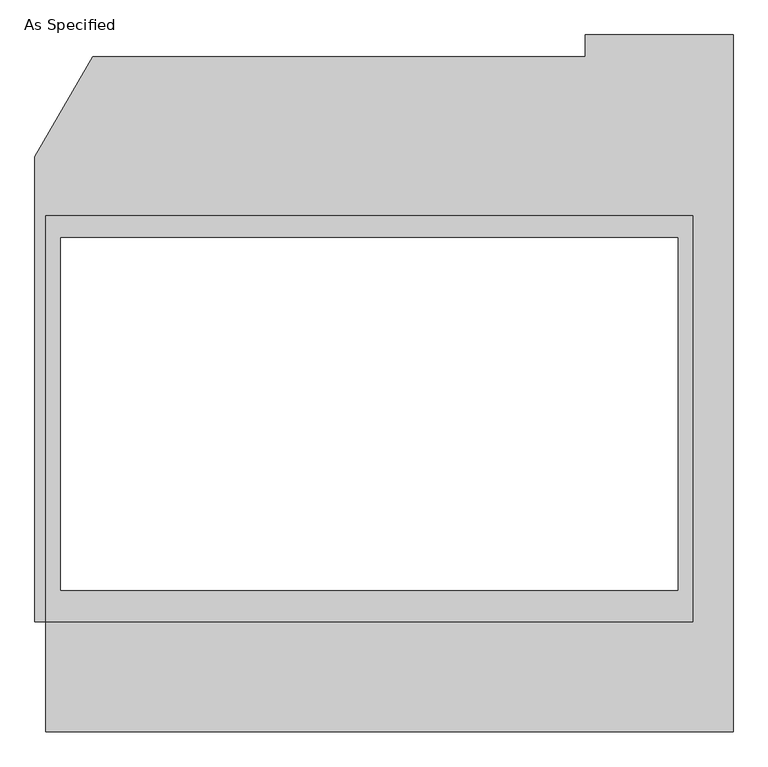
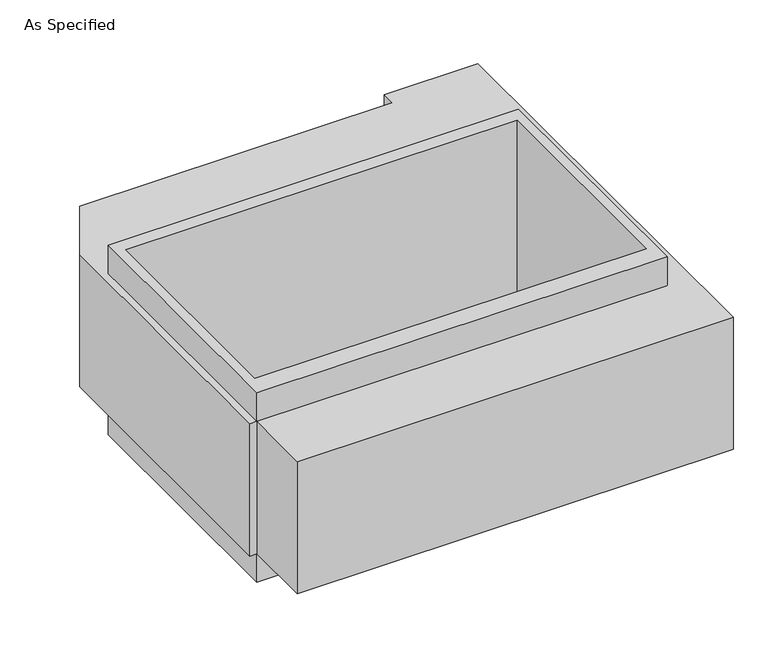
"""IFC4 building model written with IfcOpenShell, lengths in millimetres: proxy geometry, As Specified."""

from ifc_helpers import new_model, si_unit, origin, place, context, project, spatial, faceted_brep, source, transform, mapped, element, save


def as_specified_c45aecf1(model_context):
    return source(origin(), model_context, "Body", "Brep", [
        faceted_brep([(-1117.6, -1166.5148438, -787.4), (-1117.6, -785.5148438, -787.4), (1117.6, -785.5148438, -787.4), (1117.6, 617.8351562, -787.4), (-1117.6, 617.8351562, -787.4), (-1155.7, -785.5148438, -787.4), (-1155.7, 821.0748437, -787.4), (-956.260123, 1166.5148437, -787.4), (747.036606, 1166.5148437, -787.4), (747.036606, 1242.6751562, -787.4), (1257.417856, 1242.6751562, -787.4), (1257.417856, -1166.5148438, -787.4), (-1117.6, -785.5148438, -25.4), (-1117.6, -1166.5148438, -25.4), (1257.417856, -1166.5148438, -25.4), (1257.417856, 1242.6751562, -25.4), (747.036606, 1242.6751562, -25.4), (747.036606, 1166.5148437, -25.4), (-956.260123, 1166.5148437, -25.4), (-1155.7, 821.0748437, -25.4), (-1155.7, -785.5148438, -25.4), (-1117.6, 617.8351562, -25.4), (1117.6, 617.8351562, -25.4), (1117.6, -785.5148438, -25.4), (1117.6, 617.8351562, 139.7), (-1117.6, 617.8351562, 139.7), (-1117.6, -785.5148438, 139.7), (1117.6, -785.5148438, 139.7), (-1066.8, 541.6748437, 139.7), (1066.8, 541.6748437, 139.7), (1066.8, -677.5251563, 139.7), (-1066.8, -677.5251563, 139.7), (1117.6, 617.8351562, -952.5), (1117.6, -785.5148438, -952.5), (-1117.6, -785.5148438, -952.5), (-1117.6, 617.8351562, -952.5), (-1066.8, 541.6748437, -952.5), (-1066.8, -677.5251563, -952.5), (1066.8, -677.5251563, -952.5), (1066.8, 541.6748437, -952.5)], [[[0, 1, 2, 3, 4, 1, 5, 6, 7, 8, 9, 10, 11]], [[12, 13, 14, 15, 16, 17, 18, 19, 20, 12, 21, 22, 23]], [[7, 18, 17, 8]], [[5, 20, 19, 6]], [[20, 5, 1, 12]], [[1, 0, 13, 12]], [[13, 0, 11, 14]], [[7, 6, 19, 18]], [[11, 10, 15, 14]], [[24, 25, 26, 27], [28, 29, 30, 31]], [[32, 33, 34, 35], [36, 37, 38, 39]], [[25, 24, 22, 21]], [[32, 35, 4, 3]], [[26, 25, 21, 12]], [[35, 34, 1, 4]], [[27, 26, 12, 23]], [[34, 33, 2, 1]], [[24, 27, 23, 22]], [[33, 32, 3, 2]], [[29, 28, 36, 39]], [[30, 29, 39, 38]], [[31, 30, 38, 37]], [[28, 31, 37, 36]], [[9, 8, 17, 16]], [[10, 9, 16, 15]]]),
    ])


if __name__ == "__main__":
    model = new_model("IFC4")
    model_context = context("Model", 3, world=origin())
    ifc_project = project(units=[si_unit("LENGTHUNIT", "METRE", prefix="MILLI")], contexts=[model_context])
    site = spatial("IfcSite", under=ifc_project)
    building = spatial("IfcBuilding", under=site)
    placement = place(None, origin())
    as_specified_shape = as_specified_c45aecf1(model_context)
    element("IfcBuildingElementProxy", 1, Name="As Specified", ObjectType="As Specified", at=placement, inside=building, context=model_context, shape_type="MappedRepresentation", body=[
        mapped(as_specified_shape, transform((0.0, 0.0, 0.0), x_axis=(1.0, 0.0, 0.0), y_axis=(0.0, 1.0, 0.0), z_axis=(0.0, 0.0, 1.0))),
    ])
    save(model, "model.ifc")
